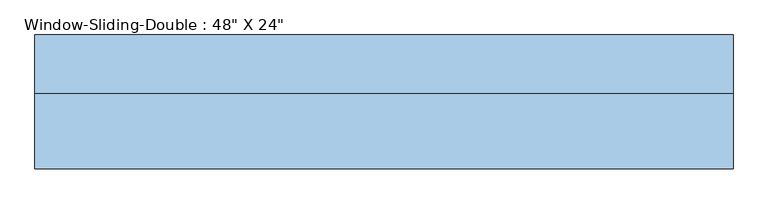
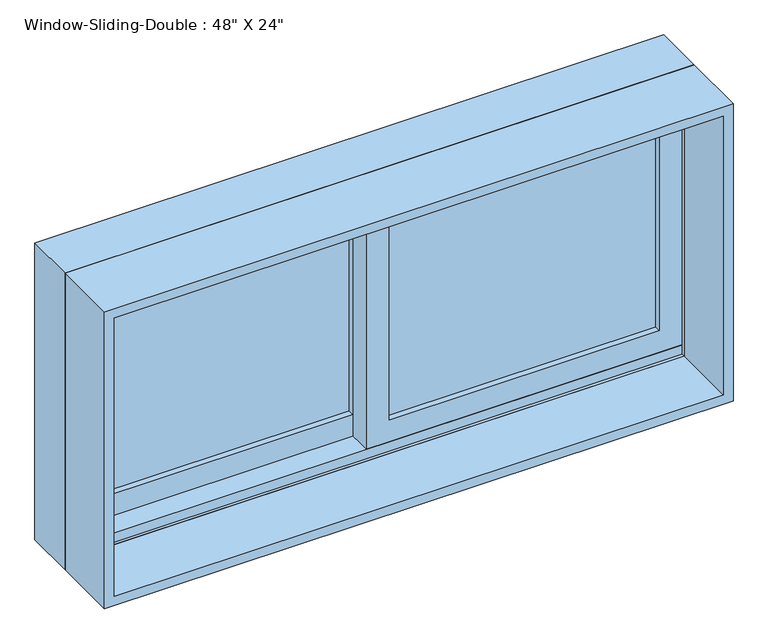
"""IFC4 building model written with IfcOpenShell, lengths in millimetres: window geometry."""

from ifc_helpers import new_model, si_unit, frame, origin, place, context, project, spatial, polyline, outline, extrude, faceted_brep, source, transform, mapped, element, save


def window_58a3d3d4(model_context):
    return source(origin(), model_context, "Body", "SolidModel", [
        faceted_brep([(-609.6, 20.79625, 914.4), (-609.6, 122.39625, 914.4), (609.6, 122.39625, 914.4), (609.6, 20.79625, 914.4), (-568.6778905, 122.39625, 1483.0778905), (-568.6778905, 116.04625, 1483.0778905), (-568.6778905, 116.04625, 933.45), (-568.6778905, 122.39625, 933.45), (568.6778905, 116.04625, 1483.0778905), (568.6778905, 116.04625, 933.45), (590.55, 116.04625, 933.45), (590.55, 116.04625, 1504.95), (-590.55, 116.04625, 1504.95), (-590.55, 116.04625, 933.45), (-590.55, 20.79625, 1504.95), (-590.55, 20.79625, 933.45), (-590.55, 27.14625, 933.45), (-590.55, 27.14625, 952.5), (-590.55, 71.59625, 952.5), (-590.55, 71.59625, 933.45), (609.6, 20.79625, 1524.0), (-609.6, 20.79625, 1524.0), (590.55, 20.79625, 1504.95), (590.55, 20.79625, 933.45), (-609.6, 122.39625, 1524.0), (609.6, 122.39625, 1524.0), (568.6778905, 122.39625, 933.45), (568.6778905, 122.39625, 1483.0778905), (590.55, 71.59625, 933.45), (590.55, 71.59625, 952.5), (590.55, 27.14625, 952.5), (590.55, 27.14625, 933.45)], [[[0, 1, 2, 3]], [[4, 5, 6, 7]], [[5, 8, 9, 10, 11, 12, 13, 6]], [[12, 14, 15, 16, 17, 18, 19, 13]], [[0, 3, 20, 21], [22, 23, 15, 14]], [[24, 1, 0, 21]], [[2, 1, 24, 25], [4, 7, 26, 27]], [[5, 4, 27, 8]], [[12, 11, 22, 14]], [[21, 20, 25, 24]], [[8, 27, 26, 9]], [[22, 11, 10, 28, 29, 30, 31, 23]], [[20, 3, 2, 25]], [[26, 7, 6, 13, 19, 28, 10, 9]], [[28, 19, 18, 29]], [[29, 18, 17, 30]], [[30, 17, 16, 31]], [[15, 23, 31, 16]]]),
        extrude(outline(polyline([(1524.0, -609.6), (914.4, -609.6), (914.4, 609.6), (1524.0, 609.6), (1524.0, -609.6)]), holes=[polyline([(1504.95, 590.55), (933.45, 590.55), (933.45, -590.55), (1504.95, -590.55), (1504.95, 590.55)])]), frame((0.0, -110.96625, 0.0), z_axis=(0.0, 1.0, 0.0), x_axis=(0.0, 0.0, 1.0)), (0.0, 0.0, 1.0), 131.7625),
        extrude(outline(polyline([(546.1, 58.89625), (546.1, 52.54625), (22.225, 52.54625), (22.225, 58.89625), (546.1, 58.89625)])), frame((0.0, 0.0, 996.95), z_axis=(0.0, 0.0, 1.0), x_axis=(1.0, 0.0, 0.0)), (0.0, 0.0, 1.0), 463.55),
        extrude(outline(polyline([(546.1, 46.19625), (546.1, 39.84625), (22.225, 39.84625), (22.225, 46.19625), (546.1, 46.19625)])), frame((0.0, 0.0, 996.95), z_axis=(0.0, 0.0, 1.0), x_axis=(1.0, 0.0, 0.0)), (0.0, 0.0, 1.0), 463.55),
        extrude(outline(polyline([(-22.225, 103.34625), (-22.225, 96.99625), (-546.1, 96.99625), (-546.1, 103.34625), (-22.225, 103.34625)])), frame((0.0, 0.0, 996.95), z_axis=(0.0, 0.0, 1.0), x_axis=(1.0, 0.0, 0.0)), (0.0, 0.0, 1.0), 463.55),
        extrude(outline(polyline([(-22.225, 90.64625), (-22.225, 84.29625), (-546.1, 84.29625), (-546.1, 90.64625), (-22.225, 90.64625)])), frame((0.0, 0.0, 996.95), z_axis=(0.0, 0.0, 1.0), x_axis=(1.0, 0.0, 0.0)), (0.0, 0.0, 1.0), 463.55),
        extrude(outline(polyline([(933.45, -590.55), (933.45, 22.225), (1504.95, 22.225), (1504.95, -590.55), (933.45, -590.55)]), holes=[polyline([(1460.5, -22.225), (996.95, -22.225), (996.95, -546.1), (1460.5, -546.1), (1460.5, -22.225)])]), frame((0.0, 71.59625, 0.0), z_axis=(0.0, 1.0, 0.0), x_axis=(0.0, 0.0, 1.0)), (0.0, 0.0, 1.0), 44.45),
        extrude(outline(polyline([(952.5, 590.55), (1504.95, 590.55), (1504.95, -22.225), (952.5, -22.225), (952.5, 590.55)]), holes=[polyline([(996.95, 22.225), (1460.5, 22.225), (1460.5, 546.1), (996.95, 546.1), (996.95, 22.225)])]), frame((0.0, 27.14625, 0.0), z_axis=(0.0, 1.0, 0.0), x_axis=(0.0, 0.0, 1.0)), (0.0, 0.0, 1.0), 44.45),
    ])


if __name__ == "__main__":
    model = new_model("IFC4")
    model_context = context("Model", 3, world=origin())
    ifc_project = project(units=[si_unit("LENGTHUNIT", "METRE", prefix="MILLI")], contexts=[model_context])
    site = spatial("IfcSite", under=ifc_project)
    building = spatial("IfcBuilding", under=site)
    placement = place(None, origin())
    window_shape = window_58a3d3d4(model_context)
    element("IfcWindow", 1, ObjectType="Window-Sliding-Double : 48\" X 24\"", at=placement, inside=building, context=model_context, shape_type="MappedRepresentation", body=[
        mapped(window_shape, transform((0.0, 0.0, 0.0), x_axis=(1.0, 0.0, 0.0), y_axis=(0.0, 1.0, 0.0), z_axis=(0.0, 0.0, 1.0))),
    ])
    save(model, "model.ifc")
